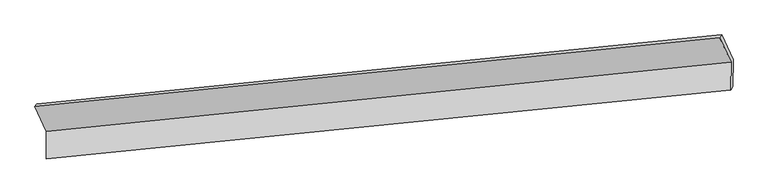
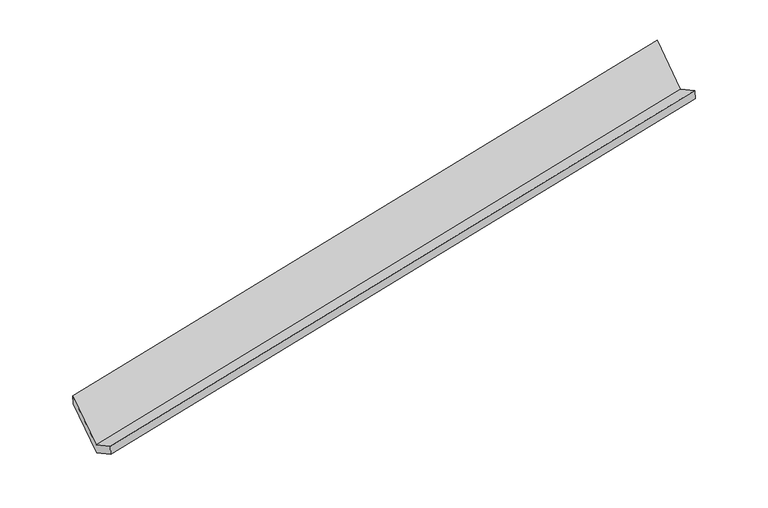
"""IFC4 building model written with IfcOpenShell, lengths in millimetres: proxy geometry."""

from ifc_helpers import new_model, si_unit, origin, place, context, project, spatial, faceted_brep, source, transform, mapped, element, save


def generic_models_7dd5792b(model_context):
    return source(origin(), model_context, "Body", "Brep", [
        faceted_brep([(-7628.6770657, -2000.5605519, 789.5346025), (-7630.1959864, -2387.0564091, 999.6695579), (1984.8659504, -1411.9714356, 2873.0868885), (1986.3848711, -1025.4755784, 2662.9519332), (-7601.4604647, -2343.311626, 829.2125283), (2013.6014721, -1368.2266525, 2702.629859), (-7599.9729529, -1964.8078946, 623.4228329), (2015.0889839, -989.7229211, 2496.8401636), (-7761.4181684, -1613.4500694, 1268.4993321), (1853.6437684, -638.3650959, 3141.9166627), (-7789.5767534, -1650.3899746, 1432.4313702), (1825.4851834, -675.3050011, 3305.8487008)], [[[0, 1, 2, 3]], [[1, 4, 5, 2]], [[4, 6, 7, 5]], [[6, 8, 9, 7]], [[8, 10, 11, 9]], [[10, 0, 3, 11]], [[9, 11, 3, 2, 5, 7]], [[0, 10, 8, 6, 4, 1]]]),
    ])


if __name__ == "__main__":
    model = new_model("IFC4")
    model_context = context("Model", 3, world=origin())
    ifc_project = project(units=[si_unit("LENGTHUNIT", "METRE", prefix="MILLI")], contexts=[model_context])
    site = spatial("IfcSite", under=ifc_project)
    building = spatial("IfcBuilding", under=site)
    placement = place(None, origin())
    generic_models_shape = generic_models_7dd5792b(model_context)
    element("IfcBuildingElementProxy", 1, Name="Generic Models", at=placement, inside=building, context=model_context, shape_type="MappedRepresentation", body=[
        mapped(generic_models_shape, transform((0.0, 0.0, 0.0), x_axis=(1.0, 0.0, 0.0), y_axis=(0.0, 1.0, 0.0), z_axis=(0.0, 0.0, 1.0))),
    ])
    save(model, "model.ifc")
